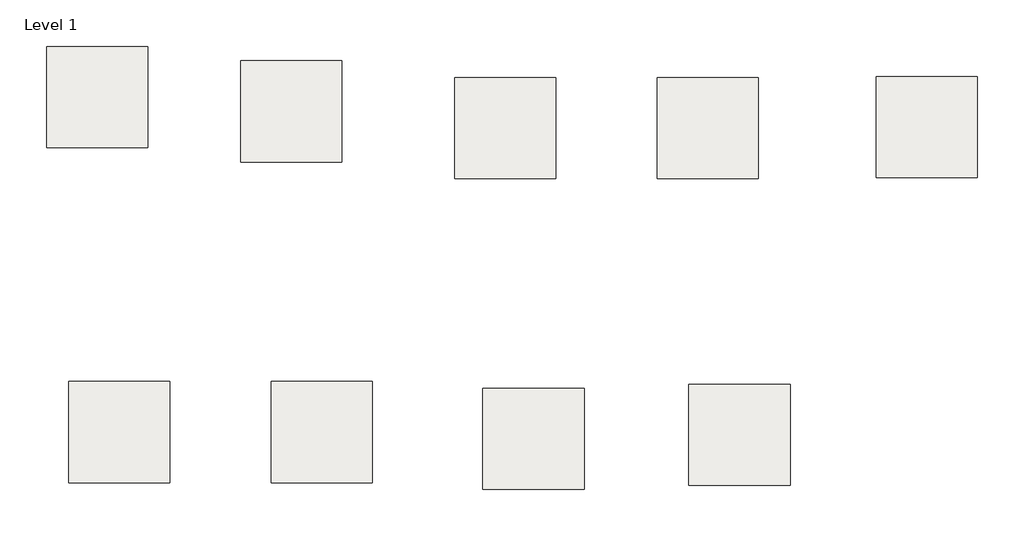
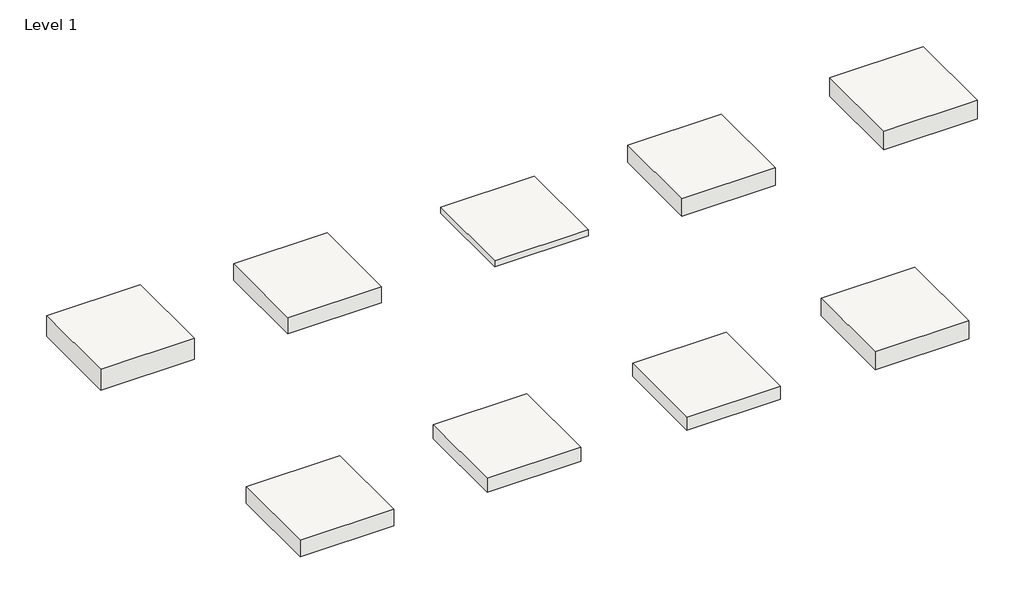
# One storey: 9 slabs.
"""IFC4 building model written with IfcOpenShell, lengths in millimetres."""

from ifc_helpers import new_model, si_unit, frame, origin, place, context, project, spatial, polyline, outline, extrude, element, save

model = new_model("IFC4")

# Units and contexts
model_context = context("Model", 3, world=origin())
ifc_project = project(units=[si_unit("LENGTHUNIT", "METRE", prefix="MILLI")], contexts=[model_context])

# Site, building, storey
site = spatial("IfcSite", under=ifc_project)
building = spatial("IfcBuilding", under=site)
storey = spatial("IfcBuildingStorey", under=building, Name="Level 1", Elevation=0.0)

# Slabs
placement = place(None, origin())
element("IfcSlab", 1, at=placement, inside=storey, context=model_context, shape_type="SweptSolid", body=[
    extrude(outline(polyline([(15631.5942408, -2141.2153622), (15631.5942408, -3665.2153622), (14107.5942408, -3665.2153622), (14107.5942408, -2141.2153622), (15631.5942408, -2141.2153622)])), frame((0.0, 0.0, -285.75), z_axis=(0.0, 0.0, 1.0), x_axis=(1.0, 0.0, 0.0)), (0.0, 0.0, 1.0), 285.75),
])
element("IfcSlab", 2, at=placement, inside=storey, context=model_context, shape_type="SweptSolid", body=[
    extrude(outline(polyline([(15298.6433118, 2909.8711988), (15298.6433118, 1385.8711988), (13774.6433118, 1385.8711988), (13774.6433118, 2909.8711988), (15298.6433118, 2909.8711988)])), frame((0.0, 0.0, -358.775), z_axis=(0.0, 0.0, 1.0), x_axis=(1.0, 0.0, 0.0)), (0.0, 0.0, 1.0), 358.775),
])
element("IfcSlab", 3, at=placement, inside=storey, context=model_context, shape_type="SweptSolid", body=[
    extrude(outline(polyline([(18220.6554011, 2693.3035561), (18220.6554011, 1169.3035561), (16696.6554011, 1169.3035561), (16696.6554011, 2693.3035561), (18220.6554011, 2693.3035561)])), frame((0.0, 0.0, -279.4), z_axis=(0.0, 0.0, 1.0), x_axis=(1.0, 0.0, 0.0)), (0.0, 0.0, 1.0), 279.4),
])
element("IfcSlab", 4, at=placement, inside=storey, context=model_context, shape_type="SweptSolid", body=[
    extrude(outline(polyline([(21446.7357725, 2441.2028921), (21446.7357725, 917.2028921), (19922.7357725, 917.2028921), (19922.7357725, 2441.2028921), (21446.7357725, 2441.2028921)])), frame((0.0, 0.0, -101.6), z_axis=(0.0, 0.0, 1.0), x_axis=(1.0, 0.0, 0.0)), (0.0, 0.0, 1.0), 101.6),
])
element("IfcSlab", 5, at=placement, inside=storey, context=model_context, shape_type="SweptSolid", body=[
    extrude(outline(polyline([(24494.7357725, 2441.2028921), (24494.7357725, 917.2028921), (22970.7357725, 917.2028921), (22970.7357725, 2441.2028921), (24494.7357725, 2441.2028921)])), frame((0.0, 0.0, -298.45), z_axis=(0.0, 0.0, 1.0), x_axis=(1.0, 0.0, 0.0)), (0.0, 0.0, 1.0), 298.45),
])
element("IfcSlab", 6, at=placement, inside=storey, context=model_context, shape_type="SweptSolid", body=[
    extrude(outline(polyline([(18679.5942408, -2141.2153622), (18679.5942408, -3665.2153622), (17155.5942408, -3665.2153622), (17155.5942408, -2141.2153622), (18679.5942408, -2141.2153622)])), frame((0.0, 0.0, -241.3), z_axis=(0.0, 0.0, 1.0), x_axis=(1.0, 0.0, 0.0)), (0.0, 0.0, 1.0), 241.3),
])
element("IfcSlab", 7, at=placement, inside=storey, context=model_context, shape_type="SweptSolid", body=[
    extrude(outline(polyline([(21869.6360952, -2242.94053), (21869.6360952, -3766.94053), (20345.6360952, -3766.94053), (20345.6360952, -2242.94053), (21869.6360952, -2242.94053)])), frame((0.0, 0.0, -222.25), z_axis=(0.0, 0.0, 1.0), x_axis=(1.0, 0.0, 0.0)), (0.0, 0.0, 1.0), 222.25),
])
element("IfcSlab", 8, at=placement, inside=storey, context=model_context, shape_type="SweptSolid", body=[
    extrude(outline(polyline([(27795.5483777, 2455.930652), (27795.5483777, 931.930652), (26271.5483777, 931.930652), (26271.5483777, 2455.930652), (27795.5483777, 2455.930652)])), frame((0.0, 0.0, -321.5679688), z_axis=(0.0, 0.0, 1.0), x_axis=(1.0, 0.0, 0.0)), (0.0, 0.0, 1.0), 321.5679688),
])
element("IfcSlab", 9, at=placement, inside=storey, context=model_context, shape_type="SweptSolid", body=[
    extrude(outline(polyline([(24974.2593895, -2181.8235064), (24974.2593895, -3705.8235064), (23450.2593895, -3705.8235064), (23450.2593895, -2181.8235064), (24974.2593895, -2181.8235064)])), frame((0.0, 0.0, -304.8), z_axis=(0.0, 0.0, 1.0), x_axis=(1.0, 0.0, 0.0)), (0.0, 0.0, 1.0), 304.8),
])

save(model, "model.ifc")
